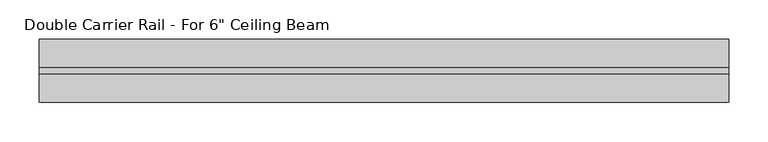
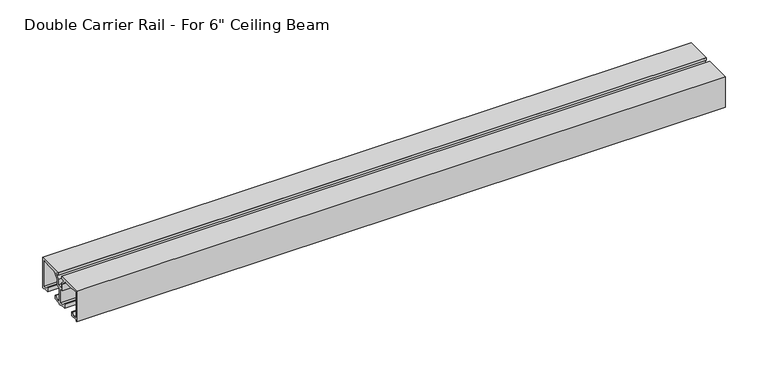
"""IFC4 building model written with IfcOpenShell, lengths in millimetres: proxy geometry."""

from ifc_helpers import new_model, si_unit, point, frame, frame_2d, origin, place, context, project, spatial, polyline, circle_curve, trimmed, segment, composite_curve, outline, extrude, source, transform, mapped, element, save


def proxy_ed90a1f2(model_context):
    return source(origin(), model_context, "Body", "SweptSolid", [
        extrude(outline(composite_curve([segment(polyline([(39.9999846, 268.45), (39.9999846, 224.9), (37.9999775, 224.9), (37.9999775, 226.6499993), (27.9999813, 226.6499993), (27.9999813, 232.2999971), (28.9999809, 232.2999971), (32.6499795, 228.6499986), (37.9999775, 228.6499986), (37.9999775, 266.5153485), (25.9926396, 264.946), (13.0784259, 264.946), (6.1999994, 258.0675709), (6.1999994, 248.920954), (0.9999996, 248.920954), (0.9999996, 228.6499986), (6.3499897, 228.6499986), (9.9999882, 232.2999971), (10.9999879, 232.2999971), (10.9999879, 226.6499993), (0.9999917, 226.6499993), (0.9999917, 224.9), (-0.9999917, 224.9), (-0.9999917, 226.6499993), (-10.9999881, 226.6499993), (-10.9999881, 232.2999971), (-9.9999884, 232.2999971), (-6.3499898, 228.6499986), (-0.9999996, 228.6499986), (-0.9999996, 248.920954), (-6.1999917, 248.920954), (-6.1999917, 258.0675709), (-13.0784182, 264.946), (-25.9926394, 264.946), (-37.9999929, 266.5153496), (-37.9999929, 228.6499986), (-32.6499949, 228.6499986), (-28.9999963, 232.2999971), (-27.9999967, 232.2999971), (-27.9999967, 226.6499993), (-37.9999929, 226.6499993), (-37.9999929, 224.9), (-39.9999921, 224.9), (-39.9999921, 268.45), (-4.1999993, 268.45), (-4.1999993, 264.946), (-7.8357787, 264.946)]), True, "CONTINUOUS"), segment(trimmed(circle_curve(frame_2d((-7.8357787, 263.946)), 1.0), [point((-7.8357787, 264.946))], [point((-8.5428855, 263.2388932))], True, "CARTESIAN"), True, "CONTINUOUS"), segment(polyline([(-8.5428855, 263.2388932), (-4.1999917, 258.8959994), (-4.1999917, 250.9209551), (4.1999994, 250.9209551), (4.1999994, 258.8959994), (8.5428932, 263.2388932)]), True, "CONTINUOUS"), segment(trimmed(circle_curve(frame_2d((7.8357864, 263.946)), 1.0), [point((8.5428932, 263.2388932))], [point((7.8357864, 264.946))], True, "CARTESIAN"), True, "CONTINUOUS"), segment(polyline([(7.8357864, 264.946), (4.1999993, 264.946), (4.1999993, 268.45), (39.9999846, 268.45)]), True, "CONTINUOUS")], self_intersect=False)), frame((0.0, 0.0, 0.0), z_axis=(1.0, 0.0, 0.0), x_axis=(0.0, 1.0, 0.0)), (0.0, 0.0, 1.0), 876.3),
    ])


if __name__ == "__main__":
    model = new_model("IFC4")
    model_context = context("Model", 3, world=origin())
    ifc_project = project(units=[si_unit("LENGTHUNIT", "METRE", prefix="MILLI")], contexts=[model_context])
    site = spatial("IfcSite", under=ifc_project)
    building = spatial("IfcBuilding", under=site)
    placement = place(None, origin())
    proxy_shape = proxy_ed90a1f2(model_context)
    element("IfcBuildingElementProxy", 1, Name="Double Carrier Rail - For 6\" Ceiling Beam", ObjectType="Double Carrier Rail - For 6\" Ceiling Beam", at=placement, inside=building, context=model_context, shape_type="MappedRepresentation", body=[
        mapped(proxy_shape, transform((0.0, 0.0, 0.0), x_axis=(1.0, 0.0, 0.0), y_axis=(0.0, 1.0, 0.0), z_axis=(0.0, 0.0, 1.0))),
    ])
    save(model, "model.ifc")
